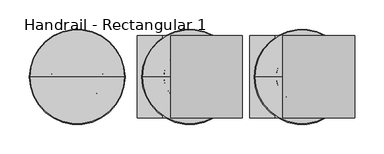
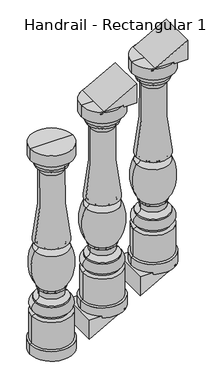
"""IFC4 building model written with IfcOpenShell, lengths in millimetres: railing geometry, Handrail - Rectangular 1."""

from ifc_helpers import new_model, si_unit, point, frame, origin, place, context, project, spatial, polyline, circle_curve, ellipse_curve, trimmed, outline, extrude, source, transform, mapped, element, save
from ifc_brep_helpers import plane_surface, cylinder_surface, revolved_surface, advanced_brep


def handrail_rectangular_1_e08718f1(model_context):
    return source(origin(), model_context, "Body", "SolidModel", [
        advanced_brep(
        [(4669.6527138, 4021.0919589, 1684.5891586), (4590.2777138, 4021.0919589, 1684.5891586), (4749.0277138, 4021.0919589, 1684.5891586), (4750.6152138, 4021.0919589, 871.7891586), (4588.6902138, 4021.0919589, 871.7891586), (4669.6527138, 4021.0919589, 871.7891586), (4750.6152138, 4021.0919589, 910.0677128), (4588.6902138, 4021.0919589, 910.0677128), (4743.4714638, 4021.0919589, 913.0641586), (4595.8339638, 4021.0919589, 913.0641586), (4743.4714638, 4021.0919589, 1019.522687), (4595.8339638, 4021.0919589, 1019.522687), (4730.7714638, 4021.0919589, 1024.9829086), (4608.5339638, 4021.0919589, 1024.9829086), (4730.7714638, 4021.0919589, 1031.3329086), (4608.5339638, 4021.0919589, 1031.3329086), (4730.7714638, 4021.0919589, 1069.4329086), (4608.5339638, 4021.0919589, 1069.4329086), (4730.7714638, 4021.0919589, 1075.7829086), (4608.5339638, 4021.0919589, 1075.7829086), (4715.0645677, 4021.0919589, 1092.0653176), (4624.2408598, 4021.0919589, 1092.0653176), (4715.0645677, 4021.0919589, 1113.6797845), (4624.2408598, 4021.0919589, 1113.6797845), (4719.6589638, 4021.0919589, 1118.6454086), (4619.6464638, 4021.0919589, 1118.6454086), (4719.6589638, 4021.0919589, 1126.2734345), (4619.6464638, 4021.0919589, 1126.2734345), (4732.3589638, 4021.0919589, 1272.6329086), (4606.9464638, 4021.0919589, 1272.6329086), (4732.3589638, 4021.0919589, 1301.2079086), (4606.9464638, 4021.0919589, 1301.2079086), (4713.8248619, 4021.0919589, 1580.9605192), (4625.4805656, 4021.0919589, 1580.9605192), (4726.8027138, 4021.0919589, 1602.8329086), (4612.5027138, 4021.0919589, 1602.8329086), (4726.8027138, 4021.0919589, 1611.5641586), (4612.5027138, 4021.0919589, 1611.5641586), (4737.9152138, 4021.0919589, 1636.9641586), (4601.3902138, 4021.0919589, 1636.9641586), (4749.0277138, 4021.0919589, 1640.1391586), (4590.2777138, 4021.0919589, 1640.1391586)],
        [
            (0, 1),
            (1, 2, circle_curve(frame((4669.6527138, 4021.0919589, 1684.5891586), z_axis=(0.0, 0.0, 1.0), x_axis=(-1.0, 0.0, 0.0)), 79.375)),
            (2, 0),
            (2, 1, circle_curve(frame((4669.6527138, 4021.0919589, 1684.5891586), z_axis=(0.0, 0.0, 1.0), x_axis=(-1.0, 0.0, 0.0)), 79.375)),
            (3, 4, circle_curve(frame((4669.6527138, 4021.0919589, 871.7891586), z_axis=(0.0, 0.0, -1.0), x_axis=(-1.0, 0.0, 0.0)), 80.9625)),
            (4, 5),
            (5, 3),
            (4, 3, circle_curve(frame((4669.6527138, 4021.0919589, 871.7891586), z_axis=(0.0, 0.0, -1.0), x_axis=(-1.0, 0.0, 0.0)), 80.9625)),
            (6, 7, circle_curve(frame((4669.6527138, 4021.0919589, 910.0677128), z_axis=(0.0, 0.0, -1.0), x_axis=(-1.0, 0.0, 0.0)), 80.9625)),
            (7, 4),
            (3, 6),
            (7, 6, circle_curve(frame((4669.6527138, 4021.0919589, 910.0677128), z_axis=(0.0, 0.0, -1.0), x_axis=(-1.0, 0.0, 0.0)), 80.9625)),
            (8, 9, circle_curve(frame((4669.6527138, 4021.0919589, 913.0641586), z_axis=(0.0, 0.0, -1.0), x_axis=(-1.0, 0.0, 0.0)), 73.81875)),
            (9, 7),
            (6, 8),
            (9, 8, circle_curve(frame((4669.6527138, 4021.0919589, 913.0641586), z_axis=(0.0, 0.0, -1.0), x_axis=(-1.0, 0.0, 0.0)), 73.81875)),
            (10, 11, circle_curve(frame((4669.6527138, 4021.0919589, 1019.522687), z_axis=(0.0, 0.0, -1.0), x_axis=(-1.0, 0.0, 0.0)), 73.81875)),
            (11, 9),
            (8, 10),
            (11, 10, circle_curve(frame((4669.6527138, 4021.0919589, 1019.522687), z_axis=(0.0, 0.0, -1.0), x_axis=(-1.0, 0.0, 0.0)), 73.81875)),
            (12, 13, circle_curve(frame((4669.6527138, 4021.0919589, 1024.9829086), z_axis=(0.0, 0.0, -1.0), x_axis=(-1.0, 0.0, 0.0)), 61.11875)),
            (13, 11),
            (10, 12),
            (13, 12, circle_curve(frame((4669.6527138, 4021.0919589, 1024.9829086), z_axis=(0.0, 0.0, -1.0), x_axis=(-1.0, 0.0, 0.0)), 61.11875)),
            (14, 15, circle_curve(frame((4669.6527138, 4021.0919589, 1031.3329086), z_axis=(0.0, 0.0, -1.0), x_axis=(-1.0, 0.0, 0.0)), 61.11875)),
            (15, 13),
            (12, 14),
            (15, 14, circle_curve(frame((4669.6527138, 4021.0919589, 1031.3329086), z_axis=(0.0, 0.0, -1.0), x_axis=(-1.0, 0.0, 0.0)), 61.11875)),
            (16, 17, circle_curve(frame((4669.6527138, 4021.0919589, 1069.4329086), z_axis=(0.0, 0.0, -1.0), x_axis=(-1.0, 0.0, 0.0)), 61.11875)),
            (17, 15, circle_curve(frame((4616.799274, 4021.0919589, 1050.3829086), z_axis=(0.0, -1.0, 0.0), x_axis=(1.0, 0.0, 0.0)), 20.7657856)),
            (14, 16, circle_curve(frame((4722.5061535, 4021.0919589, 1050.3829086), z_axis=(0.0, -1.0, 0.0), x_axis=(-1.0, 0.0, 0.0)), 20.7657856)),
            (17, 16, circle_curve(frame((4669.6527138, 4021.0919589, 1069.4329086), z_axis=(0.0, 0.0, -1.0), x_axis=(-1.0, 0.0, 0.0)), 61.11875)),
            (18, 19, circle_curve(frame((4669.6527138, 4021.0919589, 1075.7829086), z_axis=(0.0, 0.0, -1.0), x_axis=(-1.0, 0.0, 0.0)), 61.11875)),
            (19, 17),
            (16, 18),
            (19, 18, circle_curve(frame((4669.6527138, 4021.0919589, 1075.7829086), z_axis=(0.0, 0.0, -1.0), x_axis=(-1.0, 0.0, 0.0)), 61.11875)),
            (20, 21, circle_curve(frame((4669.6527138, 4021.0919589, 1092.0653176), z_axis=(0.0, 0.0, -1.0), x_axis=(-1.0, 0.0, 0.0)), 45.4118539)),
            (21, 19, circle_curve(frame((4609.0009363, 4021.0919589, 1091.0495086), z_axis=(0.0, 1.0, 0.0), x_axis=(1.0, 0.0, 0.0)), 15.2737402)),
            (18, 20, circle_curve(frame((4730.3044912, 4021.0919589, 1091.0495086), z_axis=(0.0, 1.0, 0.0), x_axis=(-1.0, 0.0, 0.0)), 15.2737402)),
            (21, 20, circle_curve(frame((4669.6527138, 4021.0919589, 1092.0653176), z_axis=(0.0, 0.0, -1.0), x_axis=(-1.0, 0.0, 0.0)), 45.4118539)),
            (22, 23, circle_curve(frame((4669.6527138, 4021.0919589, 1113.6797845), z_axis=(0.0, 0.0, -1.0), x_axis=(-1.0, 0.0, 0.0)), 45.4118539)),
            (23, 21),
            (20, 22),
            (23, 22, circle_curve(frame((4669.6527138, 4021.0919589, 1113.6797845), z_axis=(0.0, 0.0, -1.0), x_axis=(-1.0, 0.0, 0.0)), 45.4118539)),
            (24, 25, circle_curve(frame((4669.6527138, 4021.0919589, 1118.6454086), z_axis=(0.0, 0.0, -1.0), x_axis=(-1.0, 0.0, 0.0)), 50.00625)),
            (25, 23, circle_curve(frame((4619.3946173, 4021.0919589, 1113.8041176), z_axis=(0.0, 1.0, 0.0), x_axis=(1.0, 0.0, 0.0)), 4.8478372)),
            (22, 24, circle_curve(frame((4719.9108102, 4021.0919589, 1113.8041176), z_axis=(0.0, 1.0, 0.0), x_axis=(-1.0, 0.0, 0.0)), 4.8478372)),
            (25, 24, circle_curve(frame((4669.6527138, 4021.0919589, 1118.6454086), z_axis=(0.0, 0.0, -1.0), x_axis=(-1.0, 0.0, 0.0)), 50.00625)),
            (26, 27, circle_curve(frame((4669.6527138, 4021.0919589, 1126.2734345), z_axis=(0.0, 0.0, -1.0), x_axis=(-1.0, 0.0, 0.0)), 50.00625)),
            (27, 25),
            (24, 26),
            (27, 26, circle_curve(frame((4669.6527138, 4021.0919589, 1126.2734345), z_axis=(0.0, 0.0, -1.0), x_axis=(-1.0, 0.0, 0.0)), 50.00625)),
            (28, 29, circle_curve(frame((4669.6527138, 4021.0919589, 1272.6329086), z_axis=(0.0, 0.0, -1.0), x_axis=(-1.0, 0.0, 0.0)), 62.70625)),
            (29, 27, circle_curve(frame((4737.2834448, 4021.0919589, 1210.2118509), z_axis=(0.0, -1.0, 0.0), x_axis=(1.0, 0.0, 0.0)), 144.5133802)),
            (26, 28, circle_curve(frame((4602.0219827, 4021.0919589, 1210.2118509), z_axis=(0.0, -1.0, 0.0), x_axis=(-1.0, 0.0, 0.0)), 144.5133802)),
            (29, 28, circle_curve(frame((4669.6527138, 4021.0919589, 1272.6329086), z_axis=(0.0, 0.0, -1.0), x_axis=(-1.0, 0.0, 0.0)), 62.70625)),
            (30, 31, circle_curve(frame((4669.6527138, 4021.0919589, 1301.2079086), z_axis=(0.0, 0.0, -1.0), x_axis=(-1.0, 0.0, 0.0)), 62.70625)),
            (31, 29, circle_curve(frame((4607.794587, 4021.0919589, 1286.9204086), z_axis=(0.0, 1.0, 0.0), x_axis=(1.0, 0.0, 0.0)), 14.3126507)),
            (28, 30, circle_curve(frame((4731.5108405, 4021.0919589, 1286.9204086), z_axis=(0.0, 1.0, 0.0), x_axis=(-1.0, 0.0, 0.0)), 14.3126507)),
            (31, 30, circle_curve(frame((4669.6527138, 4021.0919589, 1301.2079086), z_axis=(0.0, 0.0, -1.0), x_axis=(-1.0, 0.0, 0.0)), 62.70625)),
            (32, 33, circle_curve(frame((4669.6527138, 4021.0919589, 1580.9605192), z_axis=(0.0, 0.0, -1.0), x_axis=(-1.0, 0.0, 0.0)), 44.1721482)),
            (33, 31, circle_curve(frame((3495.6612152, 4021.0919589, 1515.322772), z_axis=(0.0, 1.0, 0.0), x_axis=(1.0, 0.0, 0.0)), 1131.7243827)),
            (30, 32, circle_curve(frame((5843.6442123, 4021.0919589, 1515.322772), z_axis=(0.0, 1.0, 0.0), x_axis=(-1.0, 0.0, 0.0)), 1131.7243827)),
            (33, 32, circle_curve(frame((4669.6527138, 4021.0919589, 1580.9605192), z_axis=(0.0, 0.0, -1.0), x_axis=(-1.0, 0.0, 0.0)), 44.1721482)),
            (34, 35, circle_curve(frame((4669.6527138, 4021.0919589, 1602.8329086), z_axis=(0.0, 0.0, -1.0), x_axis=(-1.0, 0.0, 0.0)), 57.15)),
            (35, 33, circle_curve(frame((4604.4582609, 4021.0919589, 1583.2734202), z_axis=(0.0, 1.0, 0.0), x_axis=(1.0, 0.0, 0.0)), 21.1491562)),
            (32, 34, circle_curve(frame((4734.8471666, 4021.0919589, 1583.2734202), z_axis=(0.0, 1.0, 0.0), x_axis=(-1.0, 0.0, 0.0)), 21.1491562)),
            (35, 34, circle_curve(frame((4669.6527138, 4021.0919589, 1602.8329086), z_axis=(0.0, 0.0, -1.0), x_axis=(-1.0, 0.0, 0.0)), 57.15)),
            (36, 37, circle_curve(frame((4669.6527138, 4021.0919589, 1611.5641586), z_axis=(0.0, 0.0, -1.0), x_axis=(-1.0, 0.0, 0.0)), 57.15)),
            (37, 35),
            (34, 36),
            (37, 36, circle_curve(frame((4669.6527138, 4021.0919589, 1611.5641586), z_axis=(0.0, 0.0, -1.0), x_axis=(-1.0, 0.0, 0.0)), 57.15)),
            (38, 39, circle_curve(frame((4669.6527138, 4021.0919589, 1636.9641586), z_axis=(0.0, 0.0, -1.0), x_axis=(-1.0, 0.0, 0.0)), 68.2625)),
            (39, 37, circle_curve(frame((4630.7278186, 4021.0919589, 1634.6685013), z_axis=(0.0, -1.0, 0.0), x_axis=(1.0, 0.0, 0.0)), 29.4272849)),
            (36, 38, circle_curve(frame((4708.5776089, 4021.0919589, 1634.6685013), z_axis=(0.0, -1.0, 0.0), x_axis=(-1.0, 0.0, 0.0)), 29.4272849)),
            (39, 38, circle_curve(frame((4669.6527138, 4021.0919589, 1636.9641586), z_axis=(0.0, 0.0, -1.0), x_axis=(-1.0, 0.0, 0.0)), 68.2625)),
            (40, 41, circle_curve(frame((4669.6527138, 4021.0919589, 1640.1391586), z_axis=(0.0, 0.0, -1.0), x_axis=(-1.0, 0.0, 0.0)), 79.375)),
            (41, 39),
            (38, 40),
            (41, 40, circle_curve(frame((4669.6527138, 4021.0919589, 1640.1391586), z_axis=(0.0, 0.0, -1.0), x_axis=(-1.0, 0.0, 0.0)), 79.375)),
            (1, 41),
            (40, 2),
        ],
        [
            plane_surface(frame((4669.6527138, 4021.0919589, 1684.5891586), z_axis=(0.0, 0.0, 1.0), x_axis=(-1.0, 0.0, 0.0))),
            plane_surface(frame((4669.6527138, 4021.0919589, 871.7891586), z_axis=(0.0, 0.0, -1.0), x_axis=(-1.0, 0.0, 0.0))),
            cylinder_surface(frame((4669.6527138, 4021.0919589, 1754.4391586), z_axis=(0.0, 0.0, 1.0), x_axis=(-1.0, 0.0, 0.0)), 80.9625),
            revolved_surface(polyline([(4588.6902138, 4021.0919589, 910.0677128), (4595.8339638, 4021.0919589, 913.0641586)]), (4669.6527138, 4021.0919589, 1754.4391586), (0.0, 0.0, 1.0)),
            cylinder_surface(frame((4669.6527138, 4021.0919589, 1754.4391586), z_axis=(0.0, 0.0, 1.0), x_axis=(-1.0, 0.0, 0.0)), 73.81875),
            revolved_surface(polyline([(4595.8339638, 4021.0919589, 1019.522687), (4608.5339638, 4021.0919589, 1024.9829086)]), (4669.6527138, 4021.0919589, 1754.4391586), (0.0, 0.0, 1.0)),
            cylinder_surface(frame((4669.6527138, 4021.0919589, 1754.4391586), z_axis=(0.0, 0.0, 1.0), x_axis=(-1.0, 0.0, 0.0)), 61.11875),
            revolved_surface(trimmed(ellipse_curve(frame((4616.799274, 4021.0919589, 1050.3829086), z_axis=(0.0, 1.0, 0.0), x_axis=(1.0, 0.0, 0.0)), 20.7657856, 20.7657856), [point((4608.5339638, 4021.0919589, 1031.3329086))], [point((4608.5339638, 4021.0919589, 1069.4329086))], True, "CARTESIAN"), (4669.6527138, 4021.0919589, 1754.4391586), (0.0, 0.0, 1.0)),
            revolved_surface(trimmed(ellipse_curve(frame((4609.0009363, 4021.0919589, 1091.0495086), z_axis=(0.0, -1.0, 0.0), x_axis=(1.0, 0.0, 0.0)), 15.2737402, 15.2737402), [point((4608.5339638, 4021.0919589, 1075.7829086))], [point((4624.2408598, 4021.0919589, 1092.0653176))], True, "CARTESIAN"), (4669.6527138, 4021.0919589, 1754.4391586), (0.0, 0.0, 1.0)),
            cylinder_surface(frame((4669.6527138, 4021.0919589, 1754.4391586), z_axis=(0.0, 0.0, 1.0), x_axis=(-1.0, 0.0, 0.0)), 45.4118539),
            revolved_surface(trimmed(ellipse_curve(frame((4619.3946173, 4021.0919589, 1113.8041176), z_axis=(0.0, -1.0, 0.0), x_axis=(1.0, 0.0, 0.0)), 4.8478372, 4.8478372), [point((4624.2408598, 4021.0919589, 1113.6797845))], [point((4619.6464638, 4021.0919589, 1118.6454086))], True, "CARTESIAN"), (4669.6527138, 4021.0919589, 1754.4391586), (0.0, 0.0, 1.0)),
            cylinder_surface(frame((4669.6527138, 4021.0919589, 1754.4391586), z_axis=(0.0, 0.0, 1.0), x_axis=(-1.0, 0.0, 0.0)), 50.00625),
            revolved_surface(trimmed(ellipse_curve(frame((4737.2834448, 4021.0919589, 1210.2118509), z_axis=(0.0, 1.0, 0.0), x_axis=(1.0, 0.0, 0.0)), 144.5133802, 144.5133802), [point((4619.6464638, 4021.0919589, 1126.2734345))], [point((4606.9464638, 4021.0919589, 1272.6329086))], True, "CARTESIAN"), (4669.6527138, 4021.0919589, 1754.4391586), (0.0, 0.0, 1.0)),
            revolved_surface(trimmed(ellipse_curve(frame((4607.794587, 4021.0919589, 1286.9204086), z_axis=(0.0, -1.0, 0.0), x_axis=(1.0, 0.0, 0.0)), 14.3126507, 14.3126507), [point((4606.9464638, 4021.0919589, 1272.6329086))], [point((4606.9464638, 4021.0919589, 1301.2079086))], True, "CARTESIAN"), (4669.6527138, 4021.0919589, 1754.4391586), (0.0, 0.0, 1.0)),
            revolved_surface(trimmed(ellipse_curve(frame((3495.6612152, 4021.0919589, 1515.322772), z_axis=(0.0, -1.0, 0.0), x_axis=(1.0, 0.0, 0.0)), 1131.7243827, 1131.7243827), [point((4606.9464638, 4021.0919589, 1301.2079086))], [point((4625.4805656, 4021.0919589, 1580.9605192))], True, "CARTESIAN"), (4669.6527138, 4021.0919589, 1754.4391586), (0.0, 0.0, 1.0)),
            revolved_surface(trimmed(ellipse_curve(frame((4604.4582609, 4021.0919589, 1583.2734202), z_axis=(0.0, -1.0, 0.0), x_axis=(1.0, 0.0, 0.0)), 21.1491562, 21.1491562), [point((4625.4805656, 4021.0919589, 1580.9605192))], [point((4612.5027138, 4021.0919589, 1602.8329086))], True, "CARTESIAN"), (4669.6527138, 4021.0919589, 1754.4391586), (0.0, 0.0, 1.0)),
            cylinder_surface(frame((4669.6527138, 4021.0919589, 1754.4391586), z_axis=(0.0, 0.0, 1.0), x_axis=(-1.0, 0.0, 0.0)), 57.15),
            revolved_surface(trimmed(ellipse_curve(frame((4630.7278186, 4021.0919589, 1634.6685013), z_axis=(0.0, 1.0, 0.0), x_axis=(1.0, 0.0, 0.0)), 29.4272849, 29.4272849), [point((4612.5027138, 4021.0919589, 1611.5641586))], [point((4601.3902138, 4021.0919589, 1636.9641586))], True, "CARTESIAN"), (4669.6527138, 4021.0919589, 1754.4391586), (0.0, 0.0, 1.0)),
            revolved_surface(polyline([(4601.3902138, 4021.0919589, 1636.9641586), (4590.2777138, 4021.0919589, 1640.1391586)]), (4669.6527138, 4021.0919589, 1754.4391586), (0.0, 0.0, 1.0)),
            cylinder_surface(frame((4669.6527138, 4021.0919589, 1754.4391586), z_axis=(0.0, 0.0, 1.0), x_axis=(-1.0, 0.0, 0.0)), 79.375),
        ],
        [
            (0, [[1, 2, 3]]),
            (0, [[-3, 4, -1]]),
            (1, [[5, 6, 7]]),
            (1, [[8, -7, -6]]),
            (2, [[9, 10, -5, 11]]),
            (2, [[12, -11, -8, -10]]),
            (3, [[13, 14, -9, 15]]),
            (3, [[16, -15, -12, -14]]),
            (4, [[17, 18, -13, 19]]),
            (4, [[20, -19, -16, -18]]),
            (5, [[21, 22, -17, 23]]),
            (5, [[24, -23, -20, -22]]),
            (6, [[25, 26, -21, 27]]),
            (6, [[28, -27, -24, -26]]),
            (7, [[29, 30, -25, 31]]),
            (7, [[32, -31, -28, -30]]),
            (6, [[33, 34, -29, 35]]),
            (6, [[36, -35, -32, -34]]),
            (8, [[37, 38, -33, 39]]),
            (8, [[40, -39, -36, -38]]),
            (9, [[41, 42, -37, 43]]),
            (9, [[44, -43, -40, -42]]),
            (10, [[45, 46, -41, 47]]),
            (10, [[48, -47, -44, -46]]),
            (11, [[49, 50, -45, 51]]),
            (11, [[52, -51, -48, -50]]),
            (12, [[53, 54, -49, 55]]),
            (12, [[56, -55, -52, -54]]),
            (13, [[57, 58, -53, 59]]),
            (13, [[60, -59, -56, -58]]),
            (14, [[61, 62, -57, 63]]),
            (14, [[64, -63, -60, -62]]),
            (15, [[65, 66, -61, 67]]),
            (15, [[68, -67, -64, -66]]),
            (16, [[69, 70, -65, 71]]),
            (16, [[72, -71, -68, -70]]),
            (17, [[73, 74, -69, 75]]),
            (17, [[76, -75, -72, -74]]),
            (18, [[77, 78, -73, 79]]),
            (18, [[80, -79, -76, -78]]),
            (19, [[-2, 81, -77, 82]]),
            (19, [[-4, -82, -80, -81]]),
        ],
    ),
        extrude(outline(polyline([(878.4166667, 4715.3727138), (878.4166667, 4580.7527138), (803.6277778, 4580.7527138), (878.4166667, 4715.3727138)])), frame((0.0, 3951.2419589, 0.0), z_axis=(0.0, 1.0, 0.0), x_axis=(0.0, 0.0, 1.0)), (0.0, 0.0, 1.0), 139.7),
        extrude(outline(polyline([(1677.9616505, 4623.9327138), (1677.9616505, 4758.5527138), (1752.7505394, 4758.5527138), (1677.9616505, 4623.9327138)])), frame((0.0, 3951.2419589, 0.0), z_axis=(0.0, 1.0, 0.0), x_axis=(0.0, 0.0, 1.0)), (0.0, 0.0, 1.0), 139.7),
        advanced_brep(
        [(4479.1527138, 4021.0919589, 1578.7558253), (4399.7777138, 4021.0919589, 1578.7558253), (4558.5277138, 4021.0919589, 1578.7558253), (4560.1152138, 4021.0919589, 765.9558253), (4398.1902138, 4021.0919589, 765.9558253), (4479.1527138, 4021.0919589, 765.9558253), (4560.1152138, 4021.0919589, 804.2343794), (4398.1902138, 4021.0919589, 804.2343794), (4552.9714638, 4021.0919589, 807.2308253), (4405.3339638, 4021.0919589, 807.2308253), (4552.9714638, 4021.0919589, 913.6893537), (4405.3339638, 4021.0919589, 913.6893537), (4540.2714638, 4021.0919589, 919.1495753), (4418.0339638, 4021.0919589, 919.1495753), (4540.2714638, 4021.0919589, 925.4995753), (4418.0339638, 4021.0919589, 925.4995753), (4540.2714638, 4021.0919589, 963.5995753), (4418.0339638, 4021.0919589, 963.5995753), (4540.2714638, 4021.0919589, 969.9495753), (4418.0339638, 4021.0919589, 969.9495753), (4524.5645677, 4021.0919589, 986.2319843), (4433.7408598, 4021.0919589, 986.2319843), (4524.5645677, 4021.0919589, 1007.8464512), (4433.7408598, 4021.0919589, 1007.8464512), (4529.1589638, 4021.0919589, 1012.8120753), (4429.1464638, 4021.0919589, 1012.8120753), (4529.1589638, 4021.0919589, 1020.4401011), (4429.1464638, 4021.0919589, 1020.4401011), (4541.8589638, 4021.0919589, 1166.7995753), (4416.4464638, 4021.0919589, 1166.7995753), (4541.8589638, 4021.0919589, 1195.3745753), (4416.4464638, 4021.0919589, 1195.3745753), (4523.3248619, 4021.0919589, 1475.1271858), (4434.9805656, 4021.0919589, 1475.1271858), (4536.3027138, 4021.0919589, 1496.9995753), (4422.0027138, 4021.0919589, 1496.9995753), (4536.3027138, 4021.0919589, 1505.7308253), (4422.0027138, 4021.0919589, 1505.7308253), (4547.4152138, 4021.0919589, 1531.1308253), (4410.8902138, 4021.0919589, 1531.1308253), (4558.5277138, 4021.0919589, 1534.3058253), (4399.7777138, 4021.0919589, 1534.3058253)],
        [
            (0, 1),
            (1, 2, circle_curve(frame((4479.1527138, 4021.0919589, 1578.7558253), z_axis=(0.0, 0.0, 1.0), x_axis=(-1.0, 0.0, 0.0)), 79.375)),
            (2, 0),
            (2, 1, circle_curve(frame((4479.1527138, 4021.0919589, 1578.7558253), z_axis=(0.0, 0.0, 1.0), x_axis=(-1.0, 0.0, 0.0)), 79.375)),
            (3, 4, circle_curve(frame((4479.1527138, 4021.0919589, 765.9558253), z_axis=(0.0, 0.0, -1.0), x_axis=(-1.0, 0.0, 0.0)), 80.9625)),
            (4, 5),
            (5, 3),
            (4, 3, circle_curve(frame((4479.1527138, 4021.0919589, 765.9558253), z_axis=(0.0, 0.0, -1.0), x_axis=(-1.0, 0.0, 0.0)), 80.9625)),
            (6, 7, circle_curve(frame((4479.1527138, 4021.0919589, 804.2343794), z_axis=(0.0, 0.0, -1.0), x_axis=(-1.0, 0.0, 0.0)), 80.9625)),
            (7, 4),
            (3, 6),
            (7, 6, circle_curve(frame((4479.1527138, 4021.0919589, 804.2343794), z_axis=(0.0, 0.0, -1.0), x_axis=(-1.0, 0.0, 0.0)), 80.9625)),
            (8, 9, circle_curve(frame((4479.1527138, 4021.0919589, 807.2308253), z_axis=(0.0, 0.0, -1.0), x_axis=(-1.0, 0.0, 0.0)), 73.81875)),
            (9, 7),
            (6, 8),
            (9, 8, circle_curve(frame((4479.1527138, 4021.0919589, 807.2308253), z_axis=(0.0, 0.0, -1.0), x_axis=(-1.0, 0.0, 0.0)), 73.81875)),
            (10, 11, circle_curve(frame((4479.1527138, 4021.0919589, 913.6893537), z_axis=(0.0, 0.0, -1.0), x_axis=(-1.0, 0.0, 0.0)), 73.81875)),
            (11, 9),
            (8, 10),
            (11, 10, circle_curve(frame((4479.1527138, 4021.0919589, 913.6893537), z_axis=(0.0, 0.0, -1.0), x_axis=(-1.0, 0.0, 0.0)), 73.81875)),
            (12, 13, circle_curve(frame((4479.1527138, 4021.0919589, 919.1495753), z_axis=(0.0, 0.0, -1.0), x_axis=(-1.0, 0.0, 0.0)), 61.11875)),
            (13, 11),
            (10, 12),
            (13, 12, circle_curve(frame((4479.1527138, 4021.0919589, 919.1495753), z_axis=(0.0, 0.0, -1.0), x_axis=(-1.0, 0.0, 0.0)), 61.11875)),
            (14, 15, circle_curve(frame((4479.1527138, 4021.0919589, 925.4995753), z_axis=(0.0, 0.0, -1.0), x_axis=(-1.0, 0.0, 0.0)), 61.11875)),
            (15, 13),
            (12, 14),
            (15, 14, circle_curve(frame((4479.1527138, 4021.0919589, 925.4995753), z_axis=(0.0, 0.0, -1.0), x_axis=(-1.0, 0.0, 0.0)), 61.11875)),
            (16, 17, circle_curve(frame((4479.1527138, 4021.0919589, 963.5995753), z_axis=(0.0, 0.0, -1.0), x_axis=(-1.0, 0.0, 0.0)), 61.11875)),
            (17, 15, circle_curve(frame((4426.299274, 4021.0919589, 944.5495753), z_axis=(0.0, -1.0, 0.0), x_axis=(1.0, 0.0, 0.0)), 20.7657856)),
            (14, 16, circle_curve(frame((4532.0061535, 4021.0919589, 944.5495753), z_axis=(0.0, -1.0, 0.0), x_axis=(-1.0, 0.0, 0.0)), 20.7657856)),
            (17, 16, circle_curve(frame((4479.1527138, 4021.0919589, 963.5995753), z_axis=(0.0, 0.0, -1.0), x_axis=(-1.0, 0.0, 0.0)), 61.11875)),
            (18, 19, circle_curve(frame((4479.1527138, 4021.0919589, 969.9495753), z_axis=(0.0, 0.0, -1.0), x_axis=(-1.0, 0.0, 0.0)), 61.11875)),
            (19, 17),
            (16, 18),
            (19, 18, circle_curve(frame((4479.1527138, 4021.0919589, 969.9495753), z_axis=(0.0, 0.0, -1.0), x_axis=(-1.0, 0.0, 0.0)), 61.11875)),
            (20, 21, circle_curve(frame((4479.1527138, 4021.0919589, 986.2319843), z_axis=(0.0, 0.0, -1.0), x_axis=(-1.0, 0.0, 0.0)), 45.4118539)),
            (21, 19, circle_curve(frame((4418.5009363, 4021.0919589, 985.2161752), z_axis=(0.0, 1.0, 0.0), x_axis=(1.0, 0.0, 0.0)), 15.2737402)),
            (18, 20, circle_curve(frame((4539.8044912, 4021.0919589, 985.2161752), z_axis=(0.0, 1.0, 0.0), x_axis=(-1.0, 0.0, 0.0)), 15.2737402)),
            (21, 20, circle_curve(frame((4479.1527138, 4021.0919589, 986.2319843), z_axis=(0.0, 0.0, -1.0), x_axis=(-1.0, 0.0, 0.0)), 45.4118539)),
            (22, 23, circle_curve(frame((4479.1527138, 4021.0919589, 1007.8464512), z_axis=(0.0, 0.0, -1.0), x_axis=(-1.0, 0.0, 0.0)), 45.4118539)),
            (23, 21),
            (20, 22),
            (23, 22, circle_curve(frame((4479.1527138, 4021.0919589, 1007.8464512), z_axis=(0.0, 0.0, -1.0), x_axis=(-1.0, 0.0, 0.0)), 45.4118539)),
            (24, 25, circle_curve(frame((4479.1527138, 4021.0919589, 1012.8120753), z_axis=(0.0, 0.0, -1.0), x_axis=(-1.0, 0.0, 0.0)), 50.00625)),
            (25, 23, circle_curve(frame((4428.8946173, 4021.0919589, 1007.9707842), z_axis=(0.0, 1.0, 0.0), x_axis=(1.0, 0.0, 0.0)), 4.8478372)),
            (22, 24, circle_curve(frame((4529.4108102, 4021.0919589, 1007.9707842), z_axis=(0.0, 1.0, 0.0), x_axis=(-1.0, 0.0, 0.0)), 4.8478372)),
            (25, 24, circle_curve(frame((4479.1527138, 4021.0919589, 1012.8120753), z_axis=(0.0, 0.0, -1.0), x_axis=(-1.0, 0.0, 0.0)), 50.00625)),
            (26, 27, circle_curve(frame((4479.1527138, 4021.0919589, 1020.4401011), z_axis=(0.0, 0.0, -1.0), x_axis=(-1.0, 0.0, 0.0)), 50.00625)),
            (27, 25),
            (24, 26),
            (27, 26, circle_curve(frame((4479.1527138, 4021.0919589, 1020.4401011), z_axis=(0.0, 0.0, -1.0), x_axis=(-1.0, 0.0, 0.0)), 50.00625)),
            (28, 29, circle_curve(frame((4479.1527138, 4021.0919589, 1166.7995753), z_axis=(0.0, 0.0, -1.0), x_axis=(-1.0, 0.0, 0.0)), 62.70625)),
            (29, 27, circle_curve(frame((4546.7834448, 4021.0919589, 1104.3785176), z_axis=(0.0, -1.0, 0.0), x_axis=(1.0, 0.0, 0.0)), 144.5133802)),
            (26, 28, circle_curve(frame((4411.5219827, 4021.0919589, 1104.3785176), z_axis=(0.0, -1.0, 0.0), x_axis=(-1.0, 0.0, 0.0)), 144.5133802)),
            (29, 28, circle_curve(frame((4479.1527138, 4021.0919589, 1166.7995753), z_axis=(0.0, 0.0, -1.0), x_axis=(-1.0, 0.0, 0.0)), 62.70625)),
            (30, 31, circle_curve(frame((4479.1527138, 4021.0919589, 1195.3745753), z_axis=(0.0, 0.0, -1.0), x_axis=(-1.0, 0.0, 0.0)), 62.70625)),
            (31, 29, circle_curve(frame((4417.294587, 4021.0919589, 1181.0870753), z_axis=(0.0, 1.0, 0.0), x_axis=(1.0, 0.0, 0.0)), 14.3126507)),
            (28, 30, circle_curve(frame((4541.0108405, 4021.0919589, 1181.0870753), z_axis=(0.0, 1.0, 0.0), x_axis=(-1.0, 0.0, 0.0)), 14.3126507)),
            (31, 30, circle_curve(frame((4479.1527138, 4021.0919589, 1195.3745753), z_axis=(0.0, 0.0, -1.0), x_axis=(-1.0, 0.0, 0.0)), 62.70625)),
            (32, 33, circle_curve(frame((4479.1527138, 4021.0919589, 1475.1271858), z_axis=(0.0, 0.0, -1.0), x_axis=(-1.0, 0.0, 0.0)), 44.1721482)),
            (33, 31, circle_curve(frame((3305.1612152, 4021.0919589, 1409.4894387), z_axis=(0.0, 1.0, 0.0), x_axis=(1.0, 0.0, 0.0)), 1131.7243827)),
            (30, 32, circle_curve(frame((5653.1442123, 4021.0919589, 1409.4894387), z_axis=(0.0, 1.0, 0.0), x_axis=(-1.0, 0.0, 0.0)), 1131.7243827)),
            (33, 32, circle_curve(frame((4479.1527138, 4021.0919589, 1475.1271858), z_axis=(0.0, 0.0, -1.0), x_axis=(-1.0, 0.0, 0.0)), 44.1721482)),
            (34, 35, circle_curve(frame((4479.1527138, 4021.0919589, 1496.9995753), z_axis=(0.0, 0.0, -1.0), x_axis=(-1.0, 0.0, 0.0)), 57.15)),
            (35, 33, circle_curve(frame((4413.9582609, 4021.0919589, 1477.4400869), z_axis=(0.0, 1.0, 0.0), x_axis=(1.0, 0.0, 0.0)), 21.1491562)),
            (32, 34, circle_curve(frame((4544.3471666, 4021.0919589, 1477.4400869), z_axis=(0.0, 1.0, 0.0), x_axis=(-1.0, 0.0, 0.0)), 21.1491562)),
            (35, 34, circle_curve(frame((4479.1527138, 4021.0919589, 1496.9995753), z_axis=(0.0, 0.0, -1.0), x_axis=(-1.0, 0.0, 0.0)), 57.15)),
            (36, 37, circle_curve(frame((4479.1527138, 4021.0919589, 1505.7308253), z_axis=(0.0, 0.0, -1.0), x_axis=(-1.0, 0.0, 0.0)), 57.15)),
            (37, 35),
            (34, 36),
            (37, 36, circle_curve(frame((4479.1527138, 4021.0919589, 1505.7308253), z_axis=(0.0, 0.0, -1.0), x_axis=(-1.0, 0.0, 0.0)), 57.15)),
            (38, 39, circle_curve(frame((4479.1527138, 4021.0919589, 1531.1308253), z_axis=(0.0, 0.0, -1.0), x_axis=(-1.0, 0.0, 0.0)), 68.2625)),
            (39, 37, circle_curve(frame((4440.2278186, 4021.0919589, 1528.835168), z_axis=(0.0, -1.0, 0.0), x_axis=(1.0, 0.0, 0.0)), 29.4272849)),
            (36, 38, circle_curve(frame((4518.0776089, 4021.0919589, 1528.835168), z_axis=(0.0, -1.0, 0.0), x_axis=(-1.0, 0.0, 0.0)), 29.4272849)),
            (39, 38, circle_curve(frame((4479.1527138, 4021.0919589, 1531.1308253), z_axis=(0.0, 0.0, -1.0), x_axis=(-1.0, 0.0, 0.0)), 68.2625)),
            (40, 41, circle_curve(frame((4479.1527138, 4021.0919589, 1534.3058253), z_axis=(0.0, 0.0, -1.0), x_axis=(-1.0, 0.0, 0.0)), 79.375)),
            (41, 39),
            (38, 40),
            (41, 40, circle_curve(frame((4479.1527138, 4021.0919589, 1534.3058253), z_axis=(0.0, 0.0, -1.0), x_axis=(-1.0, 0.0, 0.0)), 79.375)),
            (1, 41),
            (40, 2),
        ],
        [
            plane_surface(frame((4479.1527138, 4021.0919589, 1578.7558253), z_axis=(0.0, 0.0, 1.0), x_axis=(-1.0, 0.0, 0.0))),
            plane_surface(frame((4479.1527138, 4021.0919589, 765.9558253), z_axis=(0.0, 0.0, -1.0), x_axis=(-1.0, 0.0, 0.0))),
            cylinder_surface(frame((4479.1527138, 4021.0919589, 1648.6058253), z_axis=(0.0, 0.0, 1.0), x_axis=(-1.0, 0.0, 0.0)), 80.9625),
            revolved_surface(polyline([(4398.1902138, 4021.0919589, 804.2343794), (4405.3339638, 4021.0919589, 807.2308253)]), (4479.1527138, 4021.0919589, 1648.6058253), (0.0, 0.0, 1.0)),
            cylinder_surface(frame((4479.1527138, 4021.0919589, 1648.6058253), z_axis=(0.0, 0.0, 1.0), x_axis=(-1.0, 0.0, 0.0)), 73.81875),
            revolved_surface(polyline([(4405.3339638, 4021.0919589, 913.6893537), (4418.0339638, 4021.0919589, 919.1495753)]), (4479.1527138, 4021.0919589, 1648.6058253), (0.0, 0.0, 1.0)),
            cylinder_surface(frame((4479.1527138, 4021.0919589, 1648.6058253), z_axis=(0.0, 0.0, 1.0), x_axis=(-1.0, 0.0, 0.0)), 61.11875),
            revolved_surface(trimmed(ellipse_curve(frame((4426.299274, 4021.0919589, 944.5495753), z_axis=(0.0, 1.0, 0.0), x_axis=(1.0, 0.0, 0.0)), 20.7657856, 20.7657856), [point((4418.0339638, 4021.0919589, 925.4995753))], [point((4418.0339638, 4021.0919589, 963.5995753))], True, "CARTESIAN"), (4479.1527138, 4021.0919589, 1648.6058253), (0.0, 0.0, 1.0)),
            revolved_surface(trimmed(ellipse_curve(frame((4418.5009363, 4021.0919589, 985.2161752), z_axis=(0.0, -1.0, 0.0), x_axis=(1.0, 0.0, 0.0)), 15.2737402, 15.2737402), [point((4418.0339638, 4021.0919589, 969.9495753))], [point((4433.7408598, 4021.0919589, 986.2319843))], True, "CARTESIAN"), (4479.1527138, 4021.0919589, 1648.6058253), (0.0, 0.0, 1.0)),
            cylinder_surface(frame((4479.1527138, 4021.0919589, 1648.6058253), z_axis=(0.0, 0.0, 1.0), x_axis=(-1.0, 0.0, 0.0)), 45.4118539),
            revolved_surface(trimmed(ellipse_curve(frame((4428.8946173, 4021.0919589, 1007.9707842), z_axis=(0.0, -1.0, 0.0), x_axis=(1.0, 0.0, 0.0)), 4.8478372, 4.8478372), [point((4433.7408598, 4021.0919589, 1007.8464512))], [point((4429.1464638, 4021.0919589, 1012.8120753))], True, "CARTESIAN"), (4479.1527138, 4021.0919589, 1648.6058253), (0.0, 0.0, 1.0)),
            cylinder_surface(frame((4479.1527138, 4021.0919589, 1648.6058253), z_axis=(0.0, 0.0, 1.0), x_axis=(-1.0, 0.0, 0.0)), 50.00625),
            revolved_surface(trimmed(ellipse_curve(frame((4546.7834448, 4021.0919589, 1104.3785176), z_axis=(0.0, 1.0, 0.0), x_axis=(1.0, 0.0, 0.0)), 144.5133802, 144.5133802), [point((4429.1464638, 4021.0919589, 1020.4401011))], [point((4416.4464638, 4021.0919589, 1166.7995753))], True, "CARTESIAN"), (4479.1527138, 4021.0919589, 1648.6058253), (0.0, 0.0, 1.0)),
            revolved_surface(trimmed(ellipse_curve(frame((4417.294587, 4021.0919589, 1181.0870753), z_axis=(0.0, -1.0, 0.0), x_axis=(1.0, 0.0, 0.0)), 14.3126507, 14.3126507), [point((4416.4464638, 4021.0919589, 1166.7995753))], [point((4416.4464638, 4021.0919589, 1195.3745753))], True, "CARTESIAN"), (4479.1527138, 4021.0919589, 1648.6058253), (0.0, 0.0, 1.0)),
            revolved_surface(trimmed(ellipse_curve(frame((3305.1612152, 4021.0919589, 1409.4894387), z_axis=(0.0, -1.0, 0.0), x_axis=(1.0, 0.0, 0.0)), 1131.7243827, 1131.7243827), [point((4416.4464638, 4021.0919589, 1195.3745753))], [point((4434.9805656, 4021.0919589, 1475.1271858))], True, "CARTESIAN"), (4479.1527138, 4021.0919589, 1648.6058253), (0.0, 0.0, 1.0)),
            revolved_surface(trimmed(ellipse_curve(frame((4413.9582609, 4021.0919589, 1477.4400869), z_axis=(0.0, -1.0, 0.0), x_axis=(1.0, 0.0, 0.0)), 21.1491562, 21.1491562), [point((4434.9805656, 4021.0919589, 1475.1271858))], [point((4422.0027138, 4021.0919589, 1496.9995753))], True, "CARTESIAN"), (4479.1527138, 4021.0919589, 1648.6058253), (0.0, 0.0, 1.0)),
            cylinder_surface(frame((4479.1527138, 4021.0919589, 1648.6058253), z_axis=(0.0, 0.0, 1.0), x_axis=(-1.0, 0.0, 0.0)), 57.15),
            revolved_surface(trimmed(ellipse_curve(frame((4440.2278186, 4021.0919589, 1528.835168), z_axis=(0.0, 1.0, 0.0), x_axis=(1.0, 0.0, 0.0)), 29.4272849, 29.4272849), [point((4422.0027138, 4021.0919589, 1505.7308253))], [point((4410.8902138, 4021.0919589, 1531.1308253))], True, "CARTESIAN"), (4479.1527138, 4021.0919589, 1648.6058253), (0.0, 0.0, 1.0)),
            revolved_surface(polyline([(4410.8902138, 4021.0919589, 1531.1308253), (4399.7777138, 4021.0919589, 1534.3058253)]), (4479.1527138, 4021.0919589, 1648.6058253), (0.0, 0.0, 1.0)),
            cylinder_surface(frame((4479.1527138, 4021.0919589, 1648.6058253), z_axis=(0.0, 0.0, 1.0), x_axis=(-1.0, 0.0, 0.0)), 79.375),
        ],
        [
            (0, [[1, 2, 3]]),
            (0, [[-3, 4, -1]]),
            (1, [[5, 6, 7]]),
            (1, [[8, -7, -6]]),
            (2, [[9, 10, -5, 11]]),
            (2, [[12, -11, -8, -10]]),
            (3, [[13, 14, -9, 15]]),
            (3, [[16, -15, -12, -14]]),
            (4, [[17, 18, -13, 19]]),
            (4, [[20, -19, -16, -18]]),
            (5, [[21, 22, -17, 23]]),
            (5, [[24, -23, -20, -22]]),
            (6, [[25, 26, -21, 27]]),
            (6, [[28, -27, -24, -26]]),
            (7, [[29, 30, -25, 31]]),
            (7, [[32, -31, -28, -30]]),
            (6, [[33, 34, -29, 35]]),
            (6, [[36, -35, -32, -34]]),
            (8, [[37, 38, -33, 39]]),
            (8, [[40, -39, -36, -38]]),
            (9, [[41, 42, -37, 43]]),
            (9, [[44, -43, -40, -42]]),
            (10, [[45, 46, -41, 47]]),
            (10, [[48, -47, -44, -46]]),
            (11, [[49, 50, -45, 51]]),
            (11, [[52, -51, -48, -50]]),
            (12, [[53, 54, -49, 55]]),
            (12, [[56, -55, -52, -54]]),
            (13, [[57, 58, -53, 59]]),
            (13, [[60, -59, -56, -58]]),
            (14, [[61, 62, -57, 63]]),
            (14, [[64, -63, -60, -62]]),
            (15, [[65, 66, -61, 67]]),
            (15, [[68, -67, -64, -66]]),
            (16, [[69, 70, -65, 71]]),
            (16, [[72, -71, -68, -70]]),
            (17, [[73, 74, -69, 75]]),
            (17, [[76, -75, -72, -74]]),
            (18, [[77, 78, -73, 79]]),
            (18, [[80, -79, -76, -78]]),
            (19, [[-2, 81, -77, 82]]),
            (19, [[-4, -82, -80, -81]]),
        ],
    ),
        extrude(outline(polyline([(772.5833333, 4524.8727138), (772.5833333, 4390.2527138), (697.7944444, 4390.2527138), (772.5833333, 4524.8727138)])), frame((0.0, 3951.2419589, 0.0), z_axis=(0.0, 1.0, 0.0), x_axis=(0.0, 0.0, 1.0)), (0.0, 0.0, 1.0), 139.7),
        extrude(outline(polyline([(1572.1283172, 4433.4327138), (1572.1283172, 4568.0527138), (1646.9172061, 4568.0527138), (1572.1283172, 4433.4327138)])), frame((0.0, 3951.2419589, 0.0), z_axis=(0.0, 1.0, 0.0), x_axis=(0.0, 0.0, 1.0)), (0.0, 0.0, 1.0), 139.7),
        advanced_brep(
        [(4288.6527138, 4021.0919589, 1472.9224919), (4209.2777138, 4021.0919589, 1472.9224919), (4368.0277138, 4021.0919589, 1472.9224919), (4369.6152138, 4021.0919589, 660.1224919), (4207.6902138, 4021.0919589, 660.1224919), (4288.6527138, 4021.0919589, 660.1224919), (4369.6152138, 4021.0919589, 698.4010461), (4207.6902138, 4021.0919589, 698.4010461), (4362.4714638, 4021.0919589, 701.3974919), (4214.8339638, 4021.0919589, 701.3974919), (4362.4714638, 4021.0919589, 807.8560203), (4214.8339638, 4021.0919589, 807.8560203), (4349.7714638, 4021.0919589, 813.3162419), (4227.5339638, 4021.0919589, 813.3162419), (4349.7714638, 4021.0919589, 819.6662419), (4227.5339638, 4021.0919589, 819.6662419), (4349.7714638, 4021.0919589, 857.7662419), (4227.5339638, 4021.0919589, 857.7662419), (4349.7714638, 4021.0919589, 864.1162419), (4227.5339638, 4021.0919589, 864.1162419), (4334.0645677, 4021.0919589, 880.398651), (4243.2408598, 4021.0919589, 880.398651), (4334.0645677, 4021.0919589, 902.0131178), (4243.2408598, 4021.0919589, 902.0131178), (4338.6589638, 4021.0919589, 906.9787419), (4238.6464638, 4021.0919589, 906.9787419), (4338.6589638, 4021.0919589, 914.6067678), (4238.6464638, 4021.0919589, 914.6067678), (4351.3589638, 4021.0919589, 1060.9662419), (4225.9464638, 4021.0919589, 1060.9662419), (4351.3589638, 4021.0919589, 1089.5412419), (4225.9464638, 4021.0919589, 1089.5412419), (4332.8248619, 4021.0919589, 1369.2938525), (4244.4805656, 4021.0919589, 1369.2938525), (4345.8027138, 4021.0919589, 1391.1662419), (4231.5027138, 4021.0919589, 1391.1662419), (4345.8027138, 4021.0919589, 1399.8974919), (4231.5027138, 4021.0919589, 1399.8974919), (4356.9152138, 4021.0919589, 1425.2974919), (4220.3902138, 4021.0919589, 1425.2974919), (4368.0277138, 4021.0919589, 1428.4724919), (4209.2777138, 4021.0919589, 1428.4724919)],
        [
            (0, 1),
            (1, 2, circle_curve(frame((4288.6527138, 4021.0919589, 1472.9224919), z_axis=(0.0, 0.0, 1.0), x_axis=(-1.0, 0.0, 0.0)), 79.375)),
            (2, 0),
            (2, 1, circle_curve(frame((4288.6527138, 4021.0919589, 1472.9224919), z_axis=(0.0, 0.0, 1.0), x_axis=(-1.0, 0.0, 0.0)), 79.375)),
            (3, 4, circle_curve(frame((4288.6527138, 4021.0919589, 660.1224919), z_axis=(0.0, 0.0, -1.0), x_axis=(-1.0, 0.0, 0.0)), 80.9625)),
            (4, 5),
            (5, 3),
            (4, 3, circle_curve(frame((4288.6527138, 4021.0919589, 660.1224919), z_axis=(0.0, 0.0, -1.0), x_axis=(-1.0, 0.0, 0.0)), 80.9625)),
            (6, 7, circle_curve(frame((4288.6527138, 4021.0919589, 698.4010461), z_axis=(0.0, 0.0, -1.0), x_axis=(-1.0, 0.0, 0.0)), 80.9625)),
            (7, 4),
            (3, 6),
            (7, 6, circle_curve(frame((4288.6527138, 4021.0919589, 698.4010461), z_axis=(0.0, 0.0, -1.0), x_axis=(-1.0, 0.0, 0.0)), 80.9625)),
            (8, 9, circle_curve(frame((4288.6527138, 4021.0919589, 701.3974919), z_axis=(0.0, 0.0, -1.0), x_axis=(-1.0, 0.0, 0.0)), 73.81875)),
            (9, 7),
            (6, 8),
            (9, 8, circle_curve(frame((4288.6527138, 4021.0919589, 701.3974919), z_axis=(0.0, 0.0, -1.0), x_axis=(-1.0, 0.0, 0.0)), 73.81875)),
            (10, 11, circle_curve(frame((4288.6527138, 4021.0919589, 807.8560203), z_axis=(0.0, 0.0, -1.0), x_axis=(-1.0, 0.0, 0.0)), 73.81875)),
            (11, 9),
            (8, 10),
            (11, 10, circle_curve(frame((4288.6527138, 4021.0919589, 807.8560203), z_axis=(0.0, 0.0, -1.0), x_axis=(-1.0, 0.0, 0.0)), 73.81875)),
            (12, 13, circle_curve(frame((4288.6527138, 4021.0919589, 813.3162419), z_axis=(0.0, 0.0, -1.0), x_axis=(-1.0, 0.0, 0.0)), 61.11875)),
            (13, 11),
            (10, 12),
            (13, 12, circle_curve(frame((4288.6527138, 4021.0919589, 813.3162419), z_axis=(0.0, 0.0, -1.0), x_axis=(-1.0, 0.0, 0.0)), 61.11875)),
            (14, 15, circle_curve(frame((4288.6527138, 4021.0919589, 819.6662419), z_axis=(0.0, 0.0, -1.0), x_axis=(-1.0, 0.0, 0.0)), 61.11875)),
            (15, 13),
            (12, 14),
            (15, 14, circle_curve(frame((4288.6527138, 4021.0919589, 819.6662419), z_axis=(0.0, 0.0, -1.0), x_axis=(-1.0, 0.0, 0.0)), 61.11875)),
            (16, 17, circle_curve(frame((4288.6527138, 4021.0919589, 857.7662419), z_axis=(0.0, 0.0, -1.0), x_axis=(-1.0, 0.0, 0.0)), 61.11875)),
            (17, 15, circle_curve(frame((4235.799274, 4021.0919589, 838.7162419), z_axis=(0.0, -1.0, 0.0), x_axis=(1.0, 0.0, 0.0)), 20.7657856)),
            (14, 16, circle_curve(frame((4341.5061535, 4021.0919589, 838.7162419), z_axis=(0.0, -1.0, 0.0), x_axis=(-1.0, 0.0, 0.0)), 20.7657856)),
            (17, 16, circle_curve(frame((4288.6527138, 4021.0919589, 857.7662419), z_axis=(0.0, 0.0, -1.0), x_axis=(-1.0, 0.0, 0.0)), 61.11875)),
            (18, 19, circle_curve(frame((4288.6527138, 4021.0919589, 864.1162419), z_axis=(0.0, 0.0, -1.0), x_axis=(-1.0, 0.0, 0.0)), 61.11875)),
            (19, 17),
            (16, 18),
            (19, 18, circle_curve(frame((4288.6527138, 4021.0919589, 864.1162419), z_axis=(0.0, 0.0, -1.0), x_axis=(-1.0, 0.0, 0.0)), 61.11875)),
            (20, 21, circle_curve(frame((4288.6527138, 4021.0919589, 880.398651), z_axis=(0.0, 0.0, -1.0), x_axis=(-1.0, 0.0, 0.0)), 45.4118539)),
            (21, 19, circle_curve(frame((4228.0009363, 4021.0919589, 879.3828419), z_axis=(0.0, 1.0, 0.0), x_axis=(1.0, 0.0, 0.0)), 15.2737402)),
            (18, 20, circle_curve(frame((4349.3044912, 4021.0919589, 879.3828419), z_axis=(0.0, 1.0, 0.0), x_axis=(-1.0, 0.0, 0.0)), 15.2737402)),
            (21, 20, circle_curve(frame((4288.6527138, 4021.0919589, 880.398651), z_axis=(0.0, 0.0, -1.0), x_axis=(-1.0, 0.0, 0.0)), 45.4118539)),
            (22, 23, circle_curve(frame((4288.6527138, 4021.0919589, 902.0131178), z_axis=(0.0, 0.0, -1.0), x_axis=(-1.0, 0.0, 0.0)), 45.4118539)),
            (23, 21),
            (20, 22),
            (23, 22, circle_curve(frame((4288.6527138, 4021.0919589, 902.0131178), z_axis=(0.0, 0.0, -1.0), x_axis=(-1.0, 0.0, 0.0)), 45.4118539)),
            (24, 25, circle_curve(frame((4288.6527138, 4021.0919589, 906.9787419), z_axis=(0.0, 0.0, -1.0), x_axis=(-1.0, 0.0, 0.0)), 50.00625)),
            (25, 23, circle_curve(frame((4238.3946173, 4021.0919589, 902.1374509), z_axis=(0.0, 1.0, 0.0), x_axis=(1.0, 0.0, 0.0)), 4.8478372)),
            (22, 24, circle_curve(frame((4338.9108102, 4021.0919589, 902.1374509), z_axis=(0.0, 1.0, 0.0), x_axis=(-1.0, 0.0, 0.0)), 4.8478372)),
            (25, 24, circle_curve(frame((4288.6527138, 4021.0919589, 906.9787419), z_axis=(0.0, 0.0, -1.0), x_axis=(-1.0, 0.0, 0.0)), 50.00625)),
            (26, 27, circle_curve(frame((4288.6527138, 4021.0919589, 914.6067678), z_axis=(0.0, 0.0, -1.0), x_axis=(-1.0, 0.0, 0.0)), 50.00625)),
            (27, 25),
            (24, 26),
            (27, 26, circle_curve(frame((4288.6527138, 4021.0919589, 914.6067678), z_axis=(0.0, 0.0, -1.0), x_axis=(-1.0, 0.0, 0.0)), 50.00625)),
            (28, 29, circle_curve(frame((4288.6527138, 4021.0919589, 1060.9662419), z_axis=(0.0, 0.0, -1.0), x_axis=(-1.0, 0.0, 0.0)), 62.70625)),
            (29, 27, circle_curve(frame((4356.2834448, 4021.0919589, 998.5451843), z_axis=(0.0, -1.0, 0.0), x_axis=(1.0, 0.0, 0.0)), 144.5133802)),
            (26, 28, circle_curve(frame((4221.0219827, 4021.0919589, 998.5451843), z_axis=(0.0, -1.0, 0.0), x_axis=(-1.0, 0.0, 0.0)), 144.5133802)),
            (29, 28, circle_curve(frame((4288.6527138, 4021.0919589, 1060.9662419), z_axis=(0.0, 0.0, -1.0), x_axis=(-1.0, 0.0, 0.0)), 62.70625)),
            (30, 31, circle_curve(frame((4288.6527138, 4021.0919589, 1089.5412419), z_axis=(0.0, 0.0, -1.0), x_axis=(-1.0, 0.0, 0.0)), 62.70625)),
            (31, 29, circle_curve(frame((4226.794587, 4021.0919589, 1075.2537419), z_axis=(0.0, 1.0, 0.0), x_axis=(1.0, 0.0, 0.0)), 14.3126507)),
            (28, 30, circle_curve(frame((4350.5108405, 4021.0919589, 1075.2537419), z_axis=(0.0, 1.0, 0.0), x_axis=(-1.0, 0.0, 0.0)), 14.3126507)),
            (31, 30, circle_curve(frame((4288.6527138, 4021.0919589, 1089.5412419), z_axis=(0.0, 0.0, -1.0), x_axis=(-1.0, 0.0, 0.0)), 62.70625)),
            (32, 33, circle_curve(frame((4288.6527138, 4021.0919589, 1369.2938525), z_axis=(0.0, 0.0, -1.0), x_axis=(-1.0, 0.0, 0.0)), 44.1721482)),
            (33, 31, circle_curve(frame((3114.6612152, 4021.0919589, 1303.6561053), z_axis=(0.0, 1.0, 0.0), x_axis=(1.0, 0.0, 0.0)), 1131.7243827)),
            (30, 32, circle_curve(frame((5462.6442123, 4021.0919589, 1303.6561053), z_axis=(0.0, 1.0, 0.0), x_axis=(-1.0, 0.0, 0.0)), 1131.7243827)),
            (33, 32, circle_curve(frame((4288.6527138, 4021.0919589, 1369.2938525), z_axis=(0.0, 0.0, -1.0), x_axis=(-1.0, 0.0, 0.0)), 44.1721482)),
            (34, 35, circle_curve(frame((4288.6527138, 4021.0919589, 1391.1662419), z_axis=(0.0, 0.0, -1.0), x_axis=(-1.0, 0.0, 0.0)), 57.15)),
            (35, 33, circle_curve(frame((4223.4582609, 4021.0919589, 1371.6067536), z_axis=(0.0, 1.0, 0.0), x_axis=(1.0, 0.0, 0.0)), 21.1491562)),
            (32, 34, circle_curve(frame((4353.8471666, 4021.0919589, 1371.6067536), z_axis=(0.0, 1.0, 0.0), x_axis=(-1.0, 0.0, 0.0)), 21.1491562)),
            (35, 34, circle_curve(frame((4288.6527138, 4021.0919589, 1391.1662419), z_axis=(0.0, 0.0, -1.0), x_axis=(-1.0, 0.0, 0.0)), 57.15)),
            (36, 37, circle_curve(frame((4288.6527138, 4021.0919589, 1399.8974919), z_axis=(0.0, 0.0, -1.0), x_axis=(-1.0, 0.0, 0.0)), 57.15)),
            (37, 35),
            (34, 36),
            (37, 36, circle_curve(frame((4288.6527138, 4021.0919589, 1399.8974919), z_axis=(0.0, 0.0, -1.0), x_axis=(-1.0, 0.0, 0.0)), 57.15)),
            (38, 39, circle_curve(frame((4288.6527138, 4021.0919589, 1425.2974919), z_axis=(0.0, 0.0, -1.0), x_axis=(-1.0, 0.0, 0.0)), 68.2625)),
            (39, 37, circle_curve(frame((4249.7278186, 4021.0919589, 1423.0018347), z_axis=(0.0, -1.0, 0.0), x_axis=(1.0, 0.0, 0.0)), 29.4272849)),
            (36, 38, circle_curve(frame((4327.5776089, 4021.0919589, 1423.0018347), z_axis=(0.0, -1.0, 0.0), x_axis=(-1.0, 0.0, 0.0)), 29.4272849)),
            (39, 38, circle_curve(frame((4288.6527138, 4021.0919589, 1425.2974919), z_axis=(0.0, 0.0, -1.0), x_axis=(-1.0, 0.0, 0.0)), 68.2625)),
            (40, 41, circle_curve(frame((4288.6527138, 4021.0919589, 1428.4724919), z_axis=(0.0, 0.0, -1.0), x_axis=(-1.0, 0.0, 0.0)), 79.375)),
            (41, 39),
            (38, 40),
            (41, 40, circle_curve(frame((4288.6527138, 4021.0919589, 1428.4724919), z_axis=(0.0, 0.0, -1.0), x_axis=(-1.0, 0.0, 0.0)), 79.375)),
            (1, 41),
            (40, 2),
        ],
        [
            plane_surface(frame((4288.6527138, 4021.0919589, 1472.9224919), z_axis=(0.0, 0.0, 1.0), x_axis=(-1.0, 0.0, 0.0))),
            plane_surface(frame((4288.6527138, 4021.0919589, 660.1224919), z_axis=(0.0, 0.0, -1.0), x_axis=(-1.0, 0.0, 0.0))),
            cylinder_surface(frame((4288.6527138, 4021.0919589, 1542.7724919), z_axis=(0.0, 0.0, 1.0), x_axis=(-1.0, 0.0, 0.0)), 80.9625),
            revolved_surface(polyline([(4207.6902138, 4021.0919589, 698.4010461), (4214.8339638, 4021.0919589, 701.3974919)]), (4288.6527138, 4021.0919589, 1542.7724919), (0.0, 0.0, 1.0)),
            cylinder_surface(frame((4288.6527138, 4021.0919589, 1542.7724919), z_axis=(0.0, 0.0, 1.0), x_axis=(-1.0, 0.0, 0.0)), 73.81875),
            revolved_surface(polyline([(4214.8339638, 4021.0919589, 807.8560203), (4227.5339638, 4021.0919589, 813.3162419)]), (4288.6527138, 4021.0919589, 1542.7724919), (0.0, 0.0, 1.0)),
            cylinder_surface(frame((4288.6527138, 4021.0919589, 1542.7724919), z_axis=(0.0, 0.0, 1.0), x_axis=(-1.0, 0.0, 0.0)), 61.11875),
            revolved_surface(trimmed(ellipse_curve(frame((4235.799274, 4021.0919589, 838.7162419), z_axis=(0.0, 1.0, 0.0), x_axis=(1.0, 0.0, 0.0)), 20.7657856, 20.7657856), [point((4227.5339638, 4021.0919589, 819.6662419))], [point((4227.5339638, 4021.0919589, 857.7662419))], True, "CARTESIAN"), (4288.6527138, 4021.0919589, 1542.7724919), (0.0, 0.0, 1.0)),
            revolved_surface(trimmed(ellipse_curve(frame((4228.0009363, 4021.0919589, 879.3828419), z_axis=(0.0, -1.0, 0.0), x_axis=(1.0, 0.0, 0.0)), 15.2737402, 15.2737402), [point((4227.5339638, 4021.0919589, 864.1162419))], [point((4243.2408598, 4021.0919589, 880.398651))], True, "CARTESIAN"), (4288.6527138, 4021.0919589, 1542.7724919), (0.0, 0.0, 1.0)),
            cylinder_surface(frame((4288.6527138, 4021.0919589, 1542.7724919), z_axis=(0.0, 0.0, 1.0), x_axis=(-1.0, 0.0, 0.0)), 45.4118539),
            revolved_surface(trimmed(ellipse_curve(frame((4238.3946173, 4021.0919589, 902.1374509), z_axis=(0.0, -1.0, 0.0), x_axis=(1.0, 0.0, 0.0)), 4.8478372, 4.8478372), [point((4243.2408598, 4021.0919589, 902.0131178))], [point((4238.6464638, 4021.0919589, 906.9787419))], True, "CARTESIAN"), (4288.6527138, 4021.0919589, 1542.7724919), (0.0, 0.0, 1.0)),
            cylinder_surface(frame((4288.6527138, 4021.0919589, 1542.7724919), z_axis=(0.0, 0.0, 1.0), x_axis=(-1.0, 0.0, 0.0)), 50.00625),
            revolved_surface(trimmed(ellipse_curve(frame((4356.2834448, 4021.0919589, 998.5451843), z_axis=(0.0, 1.0, 0.0), x_axis=(1.0, 0.0, 0.0)), 144.5133802, 144.5133802), [point((4238.6464638, 4021.0919589, 914.6067678))], [point((4225.9464638, 4021.0919589, 1060.9662419))], True, "CARTESIAN"), (4288.6527138, 4021.0919589, 1542.7724919), (0.0, 0.0, 1.0)),
            revolved_surface(trimmed(ellipse_curve(frame((4226.794587, 4021.0919589, 1075.2537419), z_axis=(0.0, -1.0, 0.0), x_axis=(1.0, 0.0, 0.0)), 14.3126507, 14.3126507), [point((4225.9464638, 4021.0919589, 1060.9662419))], [point((4225.9464638, 4021.0919589, 1089.5412419))], True, "CARTESIAN"), (4288.6527138, 4021.0919589, 1542.7724919), (0.0, 0.0, 1.0)),
            revolved_surface(trimmed(ellipse_curve(frame((3114.6612152, 4021.0919589, 1303.6561053), z_axis=(0.0, -1.0, 0.0), x_axis=(1.0, 0.0, 0.0)), 1131.7243827, 1131.7243827), [point((4225.9464638, 4021.0919589, 1089.5412419))], [point((4244.4805656, 4021.0919589, 1369.2938525))], True, "CARTESIAN"), (4288.6527138, 4021.0919589, 1542.7724919), (0.0, 0.0, 1.0)),
            revolved_surface(trimmed(ellipse_curve(frame((4223.4582609, 4021.0919589, 1371.6067536), z_axis=(0.0, -1.0, 0.0), x_axis=(1.0, 0.0, 0.0)), 21.1491562, 21.1491562), [point((4244.4805656, 4021.0919589, 1369.2938525))], [point((4231.5027138, 4021.0919589, 1391.1662419))], True, "CARTESIAN"), (4288.6527138, 4021.0919589, 1542.7724919), (0.0, 0.0, 1.0)),
            cylinder_surface(frame((4288.6527138, 4021.0919589, 1542.7724919), z_axis=(0.0, 0.0, 1.0), x_axis=(-1.0, 0.0, 0.0)), 57.15),
            revolved_surface(trimmed(ellipse_curve(frame((4249.7278186, 4021.0919589, 1423.0018347), z_axis=(0.0, 1.0, 0.0), x_axis=(1.0, 0.0, 0.0)), 29.4272849, 29.4272849), [point((4231.5027138, 4021.0919589, 1399.8974919))], [point((4220.3902138, 4021.0919589, 1425.2974919))], True, "CARTESIAN"), (4288.6527138, 4021.0919589, 1542.7724919), (0.0, 0.0, 1.0)),
            revolved_surface(polyline([(4220.3902138, 4021.0919589, 1425.2974919), (4209.2777138, 4021.0919589, 1428.4724919)]), (4288.6527138, 4021.0919589, 1542.7724919), (0.0, 0.0, 1.0)),
            cylinder_surface(frame((4288.6527138, 4021.0919589, 1542.7724919), z_axis=(0.0, 0.0, 1.0), x_axis=(-1.0, 0.0, 0.0)), 79.375),
        ],
        [
            (0, [[1, 2, 3]]),
            (0, [[-3, 4, -1]]),
            (1, [[5, 6, 7]]),
            (1, [[8, -7, -6]]),
            (2, [[9, 10, -5, 11]]),
            (2, [[12, -11, -8, -10]]),
            (3, [[13, 14, -9, 15]]),
            (3, [[16, -15, -12, -14]]),
            (4, [[17, 18, -13, 19]]),
            (4, [[20, -19, -16, -18]]),
            (5, [[21, 22, -17, 23]]),
            (5, [[24, -23, -20, -22]]),
            (6, [[25, 26, -21, 27]]),
            (6, [[28, -27, -24, -26]]),
            (7, [[29, 30, -25, 31]]),
            (7, [[32, -31, -28, -30]]),
            (6, [[33, 34, -29, 35]]),
            (6, [[36, -35, -32, -34]]),
            (8, [[37, 38, -33, 39]]),
            (8, [[40, -39, -36, -38]]),
            (9, [[41, 42, -37, 43]]),
            (9, [[44, -43, -40, -42]]),
            (10, [[45, 46, -41, 47]]),
            (10, [[48, -47, -44, -46]]),
            (11, [[49, 50, -45, 51]]),
            (11, [[52, -51, -48, -50]]),
            (12, [[53, 54, -49, 55]]),
            (12, [[56, -55, -52, -54]]),
            (13, [[57, 58, -53, 59]]),
            (13, [[60, -59, -56, -58]]),
            (14, [[61, 62, -57, 63]]),
            (14, [[64, -63, -60, -62]]),
            (15, [[65, 66, -61, 67]]),
            (15, [[68, -67, -64, -66]]),
            (16, [[69, 70, -65, 71]]),
            (16, [[72, -71, -68, -70]]),
            (17, [[73, 74, -69, 75]]),
            (17, [[76, -75, -72, -74]]),
            (18, [[77, 78, -73, 79]]),
            (18, [[80, -79, -76, -78]]),
            (19, [[-2, 81, -77, 82]]),
            (19, [[-4, -82, -80, -81]]),
        ],
    ),
    ])


if __name__ == "__main__":
    model = new_model("IFC4")
    model_context = context("Model", 3, world=origin())
    ifc_project = project(units=[si_unit("LENGTHUNIT", "METRE", prefix="MILLI")], contexts=[model_context])
    site = spatial("IfcSite", under=ifc_project)
    building = spatial("IfcBuilding", under=site)
    placement = place(None, origin())
    handrail_rectangular_1_shape = handrail_rectangular_1_e08718f1(model_context)
    element("IfcRailing", 1, ObjectType="Handrail - Rectangular 1", at=placement, inside=building, context=model_context, shape_type="MappedRepresentation", body=[
        mapped(handrail_rectangular_1_shape, transform((0.0, 0.0, 0.0), x_axis=(1.0, 0.0, 0.0), y_axis=(0.0, 1.0, 0.0), z_axis=(0.0, 0.0, 1.0))),
    ])
    save(model, "model.ifc")
